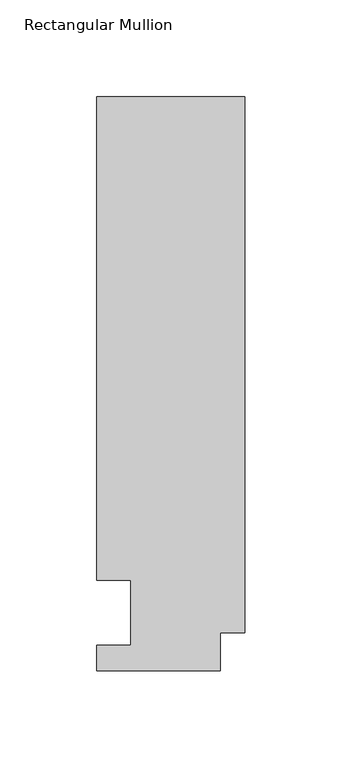
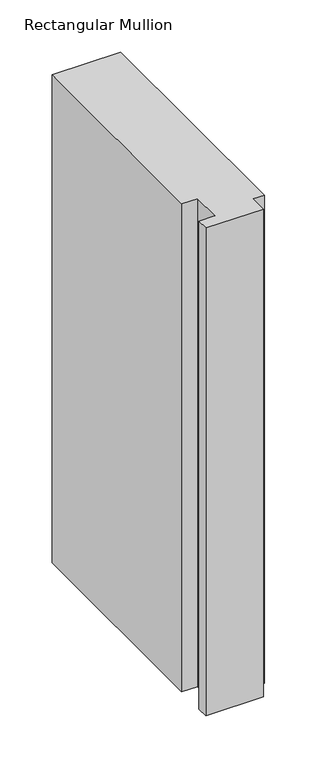
"""IFC4 building model written with IfcOpenShell, lengths in millimetres: member geometry, Rectangular Mullion."""

from ifc_helpers import new_model, si_unit, frame, origin, place, context, project, spatial, polyline, outline, extrude, source, transform, mapped, element, save


def rectangular_mullion_43ea99ef(model_context):
    return source(origin(), model_context, "Body", "SweptSolid", [
        extrude(outline(polyline([(-76.2, 13.224358), (-58.7676635, 13.224358), (-58.7676635, 46.7447302), (-76.2000001, 46.7447302), (-76.2000001, 295.9695313), (0.0, 295.9695313), (0.0, 19.574358), (-12.7, 19.574358), (-12.7, 0.041758), (-76.2, 0.041758), (-76.2, 13.224358)])), frame((0.0, 0.0, -571.8194233), z_axis=(0.0, 0.0, 1.0), x_axis=(1.0, 0.0, 0.0)), (0.0, 0.0, 1.0), 571.8194233),
    ])


if __name__ == "__main__":
    model = new_model("IFC4")
    model_context = context("Model", 3, world=origin())
    ifc_project = project(units=[si_unit("LENGTHUNIT", "METRE", prefix="MILLI")], contexts=[model_context])
    site = spatial("IfcSite", under=ifc_project)
    building = spatial("IfcBuilding", under=site)
    placement = place(None, origin())
    rectangular_mullion_shape = rectangular_mullion_43ea99ef(model_context)
    element("IfcMember", 1, ObjectType="Rectangular Mullion", at=placement, inside=building, context=model_context, shape_type="MappedRepresentation", body=[
        mapped(rectangular_mullion_shape, transform((0.0, 0.0, 0.0), x_axis=(1.0, 0.0, 0.0), y_axis=(0.0, 1.0, 0.0), z_axis=(0.0, 0.0, 1.0))),
    ])
    save(model, "model.ifc")
